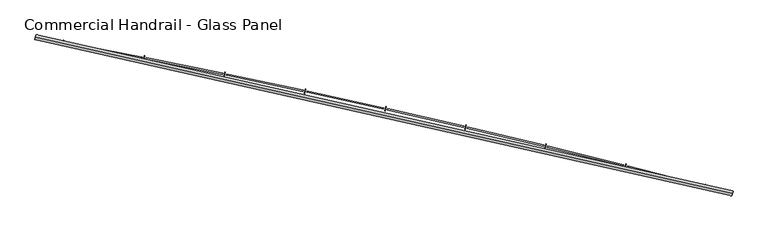
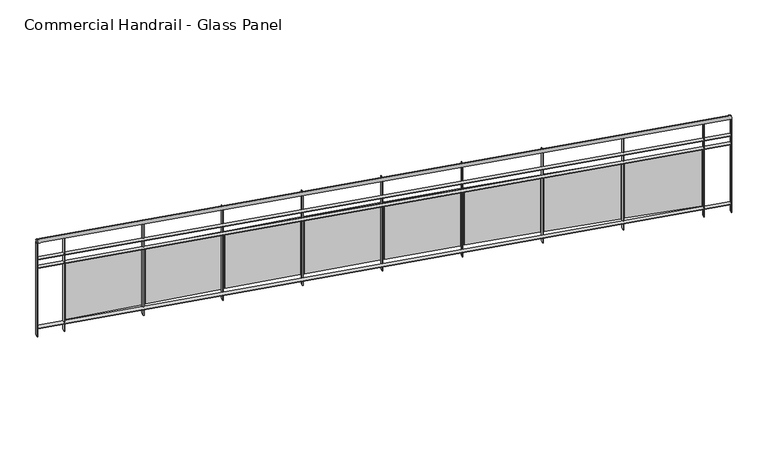
"""IFC4 building model written with IfcOpenShell, lengths in millimetres: railing geometry, Commercial Handrail - Glass Panel."""

from ifc_helpers import new_model, si_unit, point, frame, origin, place, context, project, spatial, polyline, circle_curve, ellipse_curve, trimmed, outline, extrude, source, transform, mapped, element, save
from ifc_brep_helpers import plane_surface, cylinder_surface, revolved_surface, advanced_brep


def commercial_handrail_glass_panel_7287638d(model_context):
    return source(origin(), model_context, "Body", "SolidModel", [
        advanced_brep(
        [(147529.5593555, -11171.1779597, 23082.5), (140754.7489821, -9648.612099, 23082.5), (140754.7489821, -9648.612099, 23117.5), (147529.5593555, -11171.1779597, 23117.5)],
        [
            (0, 1, circle_curve(frame((123990.1653691, -100078.2018552, 23082.5), z_axis=(0.0, 0.0, 1.0), x_axis=(0.18228230158229036, 0.9832462369772197, 0.0)), 91970.4407253)),
            (1, 2, ellipse_curve(frame((140754.7489821, -9648.612099, 23100.0), z_axis=(0.9832462369772187, -0.18228230158229672, 0.0), x_axis=(-0.1822823015822967, -0.9832462369772185, 0.0)), 25.0, 17.5)),
            (2, 3, circle_curve(frame((123990.1653691, -100078.2018552, 23117.5), z_axis=(0.0, 0.0, -1.0), x_axis=(0.18228230158229036, 0.9832462369772197, 0.0)), 91970.4407253)),
            (3, 0, ellipse_curve(frame((147529.5593555, -11171.1779597, 23100.0), z_axis=(-0.9666912890096803, 0.2559452124045356, 0.0), x_axis=(-0.2559452124045356, -0.9666912890096803, 0.0)), 25.0, 17.5)),
            (2, 1, ellipse_curve(frame((140754.7489821, -9648.612099, 23100.0), z_axis=(0.9832462369772187, -0.18228230158229672, 0.0), x_axis=(-0.1822823015822967, -0.9832462369772185, 0.0)), 25.0, 17.5)),
            (0, 3, ellipse_curve(frame((147529.5593555, -11171.1779597, 23100.0), z_axis=(-0.9666912890096803, 0.2559452124045356, 0.0), x_axis=(-0.2559452124045356, -0.9666912890096803, 0.0)), 25.0, 17.5)),
        ],
        [
            revolved_surface(trimmed(ellipse_curve(frame((140754.7489821, -9648.612099, 23100.0), z_axis=(-0.9832462369772197, 0.18228230158229036, 0.0), x_axis=(0.0, 0.0, -1.0)), 17.5, 25.0), [point((140754.7489821, -9648.612099, 23117.5))], [point((140754.7489821, -9648.612099, 23082.5))], True, "CARTESIAN"), (123990.1653691, -100078.2018552, 23100.0), (0.0, 0.0, -1.0)),
            revolved_surface(trimmed(ellipse_curve(frame((140754.7489821, -9648.612099, 23100.0), z_axis=(-0.9832462369772197, 0.18228230158229036, 0.0), x_axis=(0.0, 0.0, -1.0)), 17.5, 25.0), [point((140754.7489821, -9648.612099, 23082.5))], [point((140754.7489821, -9648.612099, 23117.5))], True, "CARTESIAN"), (123990.1653691, -100078.2018552, 23100.0), (0.0, 0.0, -1.0)),
            plane_surface(frame((140754.7489821, -9648.612099, 23100.0), z_axis=(-0.9832462369772198, 0.1822823015822904, 0.0), x_axis=(0.1822823015822904, 0.9832462369772198, 0.0))),
            plane_surface(frame((147529.5593555, -11171.1779597, 23100.0), z_axis=(0.9666912890096803, -0.25594521240453566, 0.0), x_axis=(0.25594521240453566, 0.9666912890096803, 0.0))),
        ],
        [
            (0, [[1, 2, 3, 4]]),
            (1, [[-3, 5, -1, 6]]),
            (2, [[-2, -5]]),
            (3, [[-6, -4]]),
        ],
    ),
        advanced_brep(
        [(147535.3181228, -11149.4274057, 22900.0), (140758.8503338, -9626.4890586, 22900.0), (140750.6476303, -9670.7351393, 22900.0), (147523.8005882, -11192.9285137, 22900.0), (147535.3181228, -11149.4274057, 22894.0), (140758.8503338, -9626.4890586, 22894.0), (147523.8005882, -11192.9285137, 22894.0), (140750.6476303, -9670.7351393, 22894.0)],
        [
            (0, 1, circle_curve(frame((123990.1653691, -100078.2018552, 22900.0), z_axis=(0.0, 0.0, 1.0), x_axis=(0.18228230158229036, 0.9832462369772197, 0.0)), 91992.9407253)),
            (1, 2),
            (2, 3, circle_curve(frame((123990.1653691, -100078.2018552, 22900.0), z_axis=(0.0, 0.0, -1.0), x_axis=(0.18228230158229036, 0.9832462369772197, 0.0)), 91947.9407253)),
            (3, 0),
            (4, 5, circle_curve(frame((123990.1653691, -100078.2018552, 22894.0), z_axis=(0.0, 0.0, 1.0), x_axis=(0.18228230158229036, 0.9832462369772197, 0.0)), 91992.9407253)),
            (5, 1),
            (0, 4),
            (6, 7, circle_curve(frame((123990.1653691, -100078.2018552, 22894.0), z_axis=(0.0, 0.0, 1.0), x_axis=(0.18228230158229036, 0.9832462369772197, 0.0)), 91947.9407253)),
            (7, 5),
            (4, 6),
            (2, 7),
            (6, 3),
        ],
        [
            plane_surface(frame((123990.1653691, -100078.2018552, 22900.0), z_axis=(0.0, 0.0, 1.0), x_axis=(0.18228230158229036, 0.9832462369772197, 0.0))),
            cylinder_surface(frame((123990.1653691, -100078.2018552, 22900.0), z_axis=(0.0, 0.0, -1.0), x_axis=(0.18228230158229036, 0.9832462369772197, 0.0)), 91992.9407253),
            plane_surface(frame((123990.1653691, -100078.2018552, 22894.0), z_axis=(0.0, 0.0, -1.0), x_axis=(0.18228230158229036, 0.9832462369772197, 0.0))),
            revolved_surface(polyline([(140750.6476302597, -9670.735139244323, 22894.0), (140750.6476302597, -9670.735139244323, 22900.0)]), (123990.1653691, -100078.2018552, 22900.0), (0.0, 0.0, -1.0)),
            plane_surface(frame((140754.7489821, -9648.612099, 22900.0), z_axis=(-0.9832462369772198, 0.1822823015822904, 0.0), x_axis=(0.1822823015822904, 0.9832462369772198, 0.0))),
            plane_surface(frame((147529.5593555, -11171.1779597, 22900.0), z_axis=(0.9666912890096803, -0.25594521240453566, 0.0), x_axis=(0.25594521240453566, 0.9666912890096803, 0.0))),
        ],
        [
            (0, [[1, 2, 3, 4]]),
            (1, [[5, 6, -1, 7]]),
            (2, [[8, 9, -5, 10]]),
            (3, [[-3, 11, -8, 12]]),
            (4, [[-2, -6, -9, -11]]),
            (5, [[-12, -10, -7, -4]]),
        ],
    ),
        advanced_brep(
        [(147535.3181228, -11149.4274057, 22800.0), (140758.8503338, -9626.4890586, 22800.0), (140750.6476303, -9670.7351393, 22800.0), (147523.8005882, -11192.9285137, 22800.0), (147535.3181228, -11149.4274057, 22794.0), (140758.8503338, -9626.4890586, 22794.0), (147523.8005882, -11192.9285137, 22794.0), (140750.6476303, -9670.7351393, 22794.0)],
        [
            (0, 1, circle_curve(frame((123990.1653691, -100078.2018552, 22800.0), z_axis=(0.0, 0.0, 1.0), x_axis=(0.18228230158229036, 0.9832462369772197, 0.0)), 91992.9407253)),
            (1, 2),
            (2, 3, circle_curve(frame((123990.1653691, -100078.2018552, 22800.0), z_axis=(0.0, 0.0, -1.0), x_axis=(0.18228230158229036, 0.9832462369772197, 0.0)), 91947.9407253)),
            (3, 0),
            (4, 5, circle_curve(frame((123990.1653691, -100078.2018552, 22794.0), z_axis=(0.0, 0.0, 1.0), x_axis=(0.18228230158229036, 0.9832462369772197, 0.0)), 91992.9407253)),
            (5, 1),
            (0, 4),
            (6, 7, circle_curve(frame((123990.1653691, -100078.2018552, 22794.0), z_axis=(0.0, 0.0, 1.0), x_axis=(0.18228230158229036, 0.9832462369772197, 0.0)), 91947.9407253)),
            (7, 5),
            (4, 6),
            (2, 7),
            (6, 3),
        ],
        [
            plane_surface(frame((123990.1653691, -100078.2018552, 22800.0), z_axis=(0.0, 0.0, 1.0), x_axis=(0.18228230158229036, 0.9832462369772197, 0.0))),
            cylinder_surface(frame((123990.1653691, -100078.2018552, 22800.0), z_axis=(0.0, 0.0, -1.0), x_axis=(0.18228230158229036, 0.9832462369772197, 0.0)), 91992.9407253),
            plane_surface(frame((123990.1653691, -100078.2018552, 22794.0), z_axis=(0.0, 0.0, -1.0), x_axis=(0.18228230158229036, 0.9832462369772197, 0.0))),
            revolved_surface(polyline([(140750.6476302597, -9670.735139244323, 22794.0), (140750.6476302597, -9670.735139244323, 22800.0)]), (123990.1653691, -100078.2018552, 22800.0), (0.0, 0.0, -1.0)),
            plane_surface(frame((140754.7489821, -9648.612099, 22800.0), z_axis=(-0.9832462369772198, 0.1822823015822904, 0.0), x_axis=(0.1822823015822904, 0.9832462369772198, 0.0))),
            plane_surface(frame((147529.5593555, -11171.1779597, 22800.0), z_axis=(0.9666912890096803, -0.25594521240453566, 0.0), x_axis=(0.25594521240453566, 0.9666912890096803, 0.0))),
        ],
        [
            (0, [[1, 2, 3, 4]]),
            (1, [[5, 6, -1, 7]]),
            (2, [[8, 9, -5, 10]]),
            (3, [[-3, 11, -8, 12]]),
            (4, [[-2, -6, -9, -11]]),
            (5, [[-12, -10, -7, -4]]),
        ],
    ),
        advanced_brep(
        [(147535.3181228, -11149.4274057, 22100.0), (140758.8503338, -9626.4890586, 22100.0), (140750.6476303, -9670.7351393, 22100.0), (147523.8005882, -11192.9285137, 22100.0), (147535.3181228, -11149.4274057, 22094.0), (140758.8503338, -9626.4890586, 22094.0), (147523.8005882, -11192.9285137, 22094.0), (140750.6476303, -9670.7351393, 22094.0)],
        [
            (0, 1, circle_curve(frame((123990.1653691, -100078.2018552, 22100.0), z_axis=(0.0, 0.0, 1.0), x_axis=(0.18228230158229036, 0.9832462369772197, 0.0)), 91992.9407253)),
            (1, 2),
            (2, 3, circle_curve(frame((123990.1653691, -100078.2018552, 22100.0), z_axis=(0.0, 0.0, -1.0), x_axis=(0.18228230158229036, 0.9832462369772197, 0.0)), 91947.9407253)),
            (3, 0),
            (4, 5, circle_curve(frame((123990.1653691, -100078.2018552, 22094.0), z_axis=(0.0, 0.0, 1.0), x_axis=(0.18228230158229036, 0.9832462369772197, 0.0)), 91992.9407253)),
            (5, 1),
            (0, 4),
            (6, 7, circle_curve(frame((123990.1653691, -100078.2018552, 22094.0), z_axis=(0.0, 0.0, 1.0), x_axis=(0.18228230158229036, 0.9832462369772197, 0.0)), 91947.9407253)),
            (7, 5),
            (4, 6),
            (2, 7),
            (6, 3),
        ],
        [
            plane_surface(frame((123990.1653691, -100078.2018552, 22100.0), z_axis=(0.0, 0.0, 1.0), x_axis=(0.18228230158229036, 0.9832462369772197, 0.0))),
            cylinder_surface(frame((123990.1653691, -100078.2018552, 22100.0), z_axis=(0.0, 0.0, -1.0), x_axis=(0.18228230158229036, 0.9832462369772197, 0.0)), 91992.9407253),
            plane_surface(frame((123990.1653691, -100078.2018552, 22094.0), z_axis=(0.0, 0.0, -1.0), x_axis=(0.18228230158229036, 0.9832462369772197, 0.0))),
            revolved_surface(polyline([(140750.6476302597, -9670.735139244323, 22094.0), (140750.6476302597, -9670.735139244323, 22100.0)]), (123990.1653691, -100078.2018552, 22100.0), (0.0, 0.0, -1.0)),
            plane_surface(frame((140754.7489821, -9648.612099, 22100.0), z_axis=(-0.9832462369772198, 0.1822823015822904, 0.0), x_axis=(0.1822823015822904, 0.9832462369772198, 0.0))),
            plane_surface(frame((147529.5593555, -11171.1779597, 22100.0), z_axis=(0.9666912890096803, -0.25594521240453566, 0.0), x_axis=(0.25594521240453566, 0.9666912890096803, 0.0))),
        ],
        [
            (0, [[1, 2, 3, 4]]),
            (1, [[5, 6, -1, 7]]),
            (2, [[8, 9, -5, 10]]),
            (3, [[-3, 11, -8, 12]]),
            (4, [[-2, -6, -9, -11]]),
            (5, [[-12, -10, -7, -4]]),
        ],
    ),
        extrude(outline(polyline([(147257.221986, -11122.7754383), (147268.6104754, -11079.2403685), (147274.4151514, -11080.7588337), (147263.0266619, -11124.2939036), (147257.221986, -11122.7754383)])), frame((0.0, 0.0, 22000.0), z_axis=(0.0, 0.0, 1.0), x_axis=(1.0, 0.0, 0.0)), (0.0, 0.0, 1.0), 1082.1192282),
        extrude(outline(polyline([(146512.0701942, -10900.9970799), (147248.1587203, -11090.1363983), (147245.17231, -11101.7588487), (146509.0837839, -10912.6195303), (146512.0701942, -10900.9970799)])), frame((0.0, 0.0, 22120.0), z_axis=(0.0, 0.0, 1.0), x_axis=(1.0, 0.0, 0.0)), (0.0, 0.0, 1.0), 660.0),
        extrude(outline(polyline([(146482.5774638, -10923.7560279), (146493.5868397, -10880.1235441), (146499.4045042, -10881.5914608), (146488.3951283, -10925.2239446), (146482.5774638, -10923.7560279)])), frame((0.0, 0.0, 22000.0), z_axis=(0.0, 0.0, 1.0), x_axis=(1.0, 0.0, 0.0)), (0.0, 0.0, 1.0), 1082.1192282),
        extrude(outline(polyline([(145735.524759, -10708.4676411), (146473.2306356, -10891.1970579), (146470.3454342, -10902.8450454), (145732.6395577, -10720.1156287), (145735.524759, -10708.4676411)])), frame((0.0, 0.0, 22120.0), z_axis=(0.0, 0.0, 1.0), x_axis=(1.0, 0.0, 0.0)), (0.0, 0.0, 1.0), 660.0),
        extrude(outline(polyline([(145706.2311094, -10731.4822658), (145716.8605387, -10687.7556694), (145722.6907516, -10689.1729267), (145712.0613222, -10732.8995231), (145706.2311094, -10731.4822658)])), frame((0.0, 0.0, 22000.0), z_axis=(0.0, 0.0, 1.0), x_axis=(1.0, 0.0, 0.0)), (0.0, 0.0, 1.0), 1082.1192282),
        extrude(outline(polyline([(144957.3340156, -10522.7001401), (145696.6014259, -10699.0058295), (145693.8176518, -10710.6784728), (144954.5502416, -10534.3727835), (144957.3340156, -10522.7001401)])), frame((0.0, 0.0, 22120.0), z_axis=(0.0, 0.0, 1.0), x_axis=(1.0, 0.0, 0.0)), (0.0, 0.0, 1.0), 660.0),
        extrude(outline(polyline([(144928.2416631, -10545.9687002), (144938.4903417, -10502.1512997), (144944.3326617, -10503.5177901), (144934.0839832, -10547.3351907), (144928.2416631, -10545.9687002)])), frame((0.0, 0.0, 22000.0), z_axis=(0.0, 0.0, 1.0), x_axis=(1.0, 0.0, 0.0)), (0.0, 0.0, 1.0), 1082.1192282),
        extrude(outline(polyline([(144177.5568437, -10343.7086325), (144918.3298529, -10513.5772547), (144915.6477168, -10525.2736707), (144174.8747076, -10355.4050484), (144177.5568437, -10343.7086325)])), frame((0.0, 0.0, 22120.0), z_axis=(0.0, 0.0, 1.0), x_axis=(1.0, 0.0, 0.0)), (0.0, 0.0, 1.0), 660.0),
        extrude(outline(polyline([(144148.6679896, -10367.2293674), (144158.5351419, -10323.324478), (144164.3891271, -10324.6400983), (144154.5219749, -10368.5449877), (144148.6679896, -10367.2293674)])), frame((0.0, 0.0, 22000.0), z_axis=(0.0, 0.0, 1.0), x_axis=(1.0, 0.0, 0.0)), (0.0, 0.0, 1.0), 1082.1192282),
        extrude(outline(polyline([(143396.2522433, -10171.5066611), (144138.4748027, -10334.9253636), (144135.8945074, -10346.6446671), (143393.671948, -10183.2259647), (143396.2522433, -10171.5066611)])), frame((0.0, 0.0, 22120.0), z_axis=(0.0, 0.0, 1.0), x_axis=(1.0, 0.0, 0.0)), (0.0, 0.0, 1.0), 660.0),
        extrude(outline(polyline([(143367.5690734, -10195.2777912), (143377.0539528, -10151.288735), (143382.9191603, -10152.5533856), (143373.4342809, -10196.5424418), (143367.5690734, -10195.2777912)])), frame((0.0, 0.0, 22000.0), z_axis=(0.0, 0.0, 1.0), x_axis=(1.0, 0.0, 0.0)), (0.0, 0.0, 1.0), 1082.1192282),
        extrude(outline(polyline([(142613.4793297, -10006.1072553), (143357.0952809, -10163.0636733), (143354.6170217, -10174.8049778), (142611.0010705, -10017.8485598), (142613.4793297, -10006.1072553)])), frame((0.0, 0.0, 22120.0), z_axis=(0.0, 0.0, 1.0), x_axis=(1.0, 0.0, 0.0)), (0.0, 0.0, 1.0), 660.0),
        extrude(outline(polyline([(142585.0040143, -10030.126982), (142594.1059033, -9986.0570873), (142599.9818892, -9987.2706725), (142590.8800002, -10031.3405672), (142585.0040143, -10030.126982)])), frame((0.0, 0.0, 22000.0), z_axis=(0.0, 0.0, 1.0), x_axis=(1.0, 0.0, 0.0)), (0.0, 0.0, 1.0), 1082.1192282),
        extrude(outline(polyline([(141829.2973297, -9847.5229296), (142574.2504088, -9998.0051873), (142571.8743732, -10009.7676044), (141826.921294, -9859.2853466), (141829.2973297, -9847.5229296)])), frame((0.0, 0.0, 22120.0), z_axis=(0.0, 0.0, 1.0), x_axis=(1.0, 0.0, 0.0)), (0.0, 0.0, 1.0), 660.0),
        extrude(outline(polyline([(141801.0320231, -9871.7894354), (141809.750233, -9827.6420367), (141815.6365528, -9828.8044646), (141806.918343, -9872.9518634), (141801.0320231, -9871.7894354)])), frame((0.0, 0.0, 22000.0), z_axis=(0.0, 0.0, 1.0), x_axis=(1.0, 0.0, 0.0)), (0.0, 0.0, 1.0), 1082.1192282),
        extrude(outline(polyline([(141043.7655762, -9695.7656828), (141789.9994183, -9839.7623945), (141787.725786, -9851.5450341), (141041.491944, -9707.5483224), (141043.7655762, -9695.7656828)])), frame((0.0, 0.0, 22120.0), z_axis=(0.0, 0.0, 1.0), x_axis=(1.0, 0.0, 0.0)), (0.0, 0.0, 1.0), 660.0),
        extrude(outline(polyline([(141015.7124173, -9720.2771318), (141024.0462883, -9676.0555692), (141029.9424967, -9677.166752), (141021.6086256, -9721.3883146), (141015.7124173, -9720.2771318)])), frame((0.0, 0.0, 22000.0), z_axis=(0.0, 0.0, 1.0), x_axis=(1.0, 0.0, 0.0)), (0.0, 0.0, 1.0), 1082.1192282),
        extrude(outline(polyline([(147520.9005143, -11192.1606781), (147532.4180489, -11148.6595701), (147538.2181966, -11150.1952413), (147526.7006621, -11193.6963494), (147520.9005143, -11192.1606781)])), frame((0.0, 0.0, 22000.0), z_axis=(0.0, 0.0, 1.0), x_axis=(1.0, 0.0, 0.0)), (0.0, 0.0, 1.0), 1082.1192282),
        extrude(outline(polyline([(140747.6978916, -9670.1882924), (140755.9005951, -9625.9422117), (140761.8000726, -9627.0359055), (140753.597369, -9671.2819862), (140747.6978916, -9670.1882924)])), frame((0.0, 0.0, 22000.0), z_axis=(0.0, 0.0, 1.0), x_axis=(1.0, 0.0, 0.0)), (0.0, 0.0, 1.0), 1082.1192282),
    ])


if __name__ == "__main__":
    model = new_model("IFC4")
    model_context = context("Model", 3, world=origin())
    ifc_project = project(units=[si_unit("LENGTHUNIT", "METRE", prefix="MILLI")], contexts=[model_context])
    site = spatial("IfcSite", under=ifc_project)
    building = spatial("IfcBuilding", under=site)
    placement = place(None, origin())
    commercial_handrail_glass_panel_shape = commercial_handrail_glass_panel_7287638d(model_context)
    element("IfcRailing", 1, ObjectType="Commercial Handrail - Glass Panel", at=placement, inside=building, context=model_context, shape_type="MappedRepresentation", body=[
        mapped(commercial_handrail_glass_panel_shape, transform((0.0, 0.0, 0.0), x_axis=(1.0, 0.0, 0.0), y_axis=(0.0, 1.0, 0.0), z_axis=(0.0, 0.0, 1.0))),
    ])
    save(model, "model.ifc")
